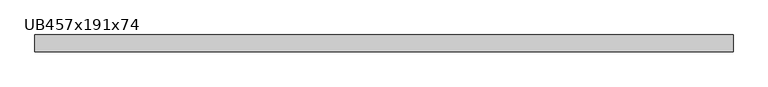
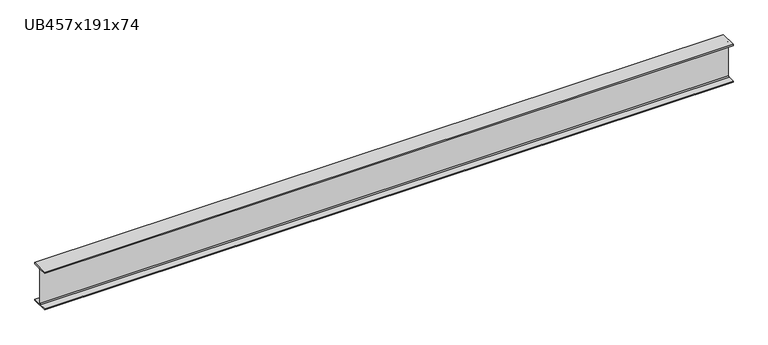
"""IFC4 building model written with IfcOpenShell, lengths in millimetres: beam geometry, UB457x191x74."""

from ifc_helpers import new_model, si_unit, point, frame, frame_2d, origin, place, context, project, spatial, polyline, circle_curve, trimmed, segment, composite_curve, outline, extrude, source, transform, mapped, element, save


def ub457x191x74_04edad62(model_context):
    return source(origin(), model_context, "Body", "SweptSolid", [
        extrude(outline(composite_curve([segment(polyline([(95.2, -214.0), (95.2, -228.5), (-95.2, -228.5), (-95.2, -214.0), (-14.7, -214.0)]), True, "CONTINUOUS"), segment(trimmed(circle_curve(frame_2d((-14.7, -203.8)), 10.2), [point((-14.7, -214.0))], [point((-4.5, -203.8))], True, "CARTESIAN"), True, "CONTINUOUS"), segment(polyline([(-4.5, -203.8), (-4.5, 203.8)]), True, "CONTINUOUS"), segment(trimmed(circle_curve(frame_2d((-14.7, 203.8)), 10.2), [point((-4.5, 203.8))], [point((-14.7, 214.0))], True, "CARTESIAN"), True, "CONTINUOUS"), segment(polyline([(-14.7, 214.0), (-95.2, 214.0), (-95.2, 228.5), (95.2, 228.5), (95.2, 214.0), (14.7, 214.0)]), True, "CONTINUOUS"), segment(trimmed(circle_curve(frame_2d((14.7, 203.8)), 10.2), [point((14.7, 214.0))], [point((4.5, 203.8))], True, "CARTESIAN"), True, "CONTINUOUS"), segment(polyline([(4.5, 203.8), (4.5, -203.8)]), True, "CONTINUOUS"), segment(trimmed(circle_curve(frame_2d((14.7, -203.8)), 10.2), [point((4.5, -203.8))], [point((14.7, -214.0))], True, "CARTESIAN"), True, "CONTINUOUS"), segment(polyline([(14.7, -214.0), (95.2, -214.0)]), True, "CONTINUOUS")], self_intersect=False)), frame((-3919.2729179, 0.0, 0.0), z_axis=(1.0, 0.0, 0.0), x_axis=(0.0, 1.0, 0.0)), (0.0, 0.0, 1.0), 7841.9229179),
    ])


if __name__ == "__main__":
    model = new_model("IFC4")
    model_context = context("Model", 3, world=origin())
    ifc_project = project(units=[si_unit("LENGTHUNIT", "METRE", prefix="MILLI")], contexts=[model_context])
    site = spatial("IfcSite", under=ifc_project)
    building = spatial("IfcBuilding", under=site)
    placement = place(None, origin())
    ub457x191x74_shape = ub457x191x74_04edad62(model_context)
    element("IfcBeam", 1, ObjectType="UB457x191x74", at=placement, inside=building, context=model_context, shape_type="MappedRepresentation", body=[
        mapped(ub457x191x74_shape, transform((0.0, 0.0, 0.0), x_axis=(1.0, 0.0, 0.0), y_axis=(0.0, 1.0, 0.0), z_axis=(0.0, 0.0, 1.0))),
    ])
    save(model, "model.ifc")
